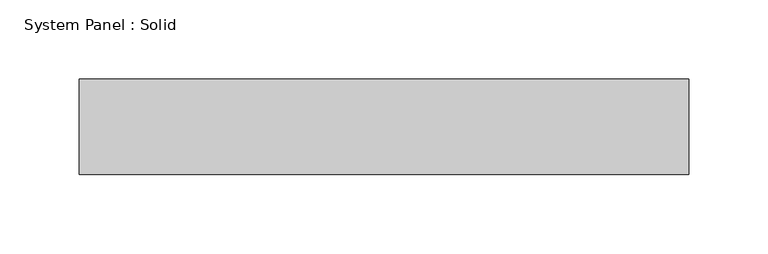
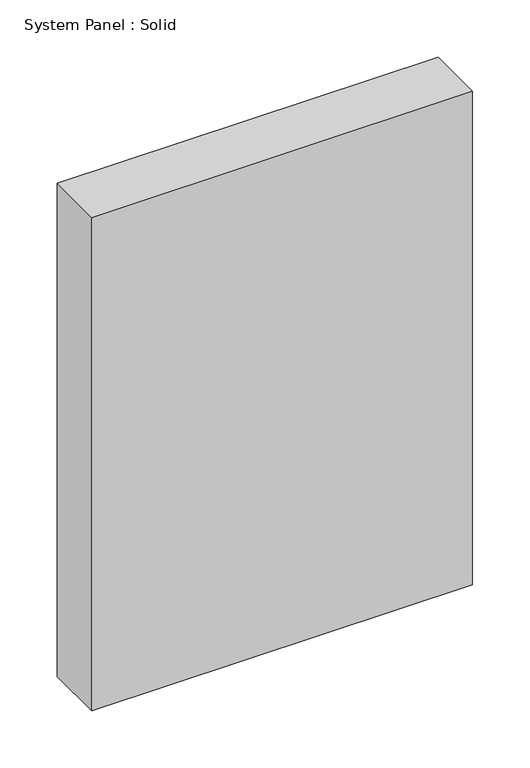
"""IFC4 building model written with IfcOpenShell, lengths in millimetres: plate geometry, System Panel : Solid."""

from ifc_helpers import new_model, si_unit, origin, origin_with_axes, place, context, project, spatial, polyline, outline, extrude, source, transform, mapped, element, save


def system_panel_solid_f439d2a1(model_context):
    return source(origin(), model_context, "Body", "SweptSolid", [
        extrude(outline(polyline([(191.738741, -49.5), (-191.738741, -49.5), (-191.738741, 10.5), (191.738741, 10.5), (191.738741, -49.5)])), origin_with_axes(), (0.0, 0.0, 1.0), 525.0),
    ])


if __name__ == "__main__":
    model = new_model("IFC4")
    model_context = context("Model", 3, world=origin())
    ifc_project = project(units=[si_unit("LENGTHUNIT", "METRE", prefix="MILLI")], contexts=[model_context])
    site = spatial("IfcSite", under=ifc_project)
    building = spatial("IfcBuilding", under=site)
    placement = place(None, origin())
    system_panel_solid_shape = system_panel_solid_f439d2a1(model_context)
    element("IfcPlate", 1, ObjectType="System Panel : Solid", at=placement, inside=building, context=model_context, shape_type="MappedRepresentation", body=[
        mapped(system_panel_solid_shape, transform((0.0, 0.0, 0.0), x_axis=(1.0, 0.0, 0.0), y_axis=(0.0, 1.0, 0.0), z_axis=(0.0, 0.0, 1.0))),
    ])
    save(model, "model.ifc")
